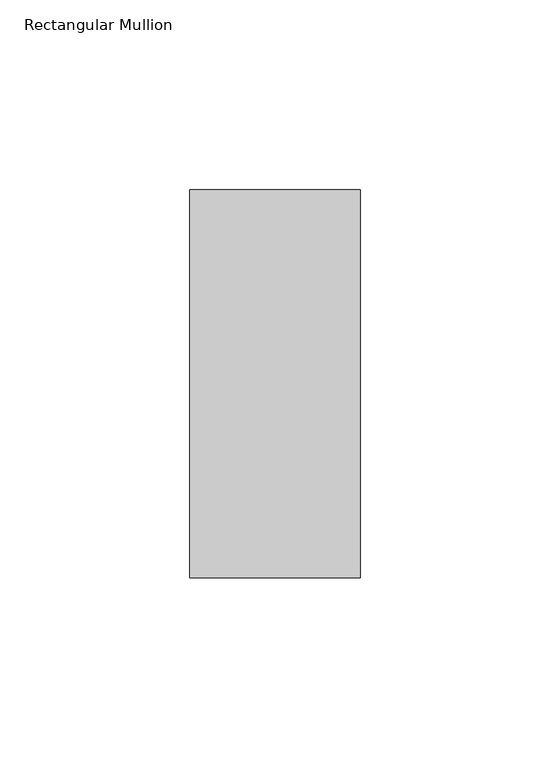
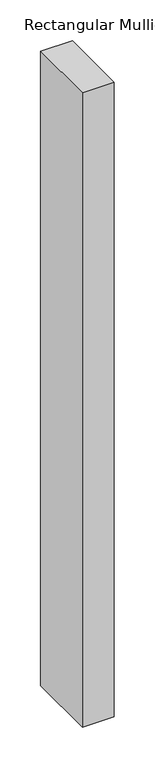
"""IFC4 building model written with IfcOpenShell, lengths in millimetres: member geometry, Rectangular Mullion."""

import ifcopenshell
import ifcopenshell.guid

model = None  # the IFC model being written
_history = None  # IfcOwnerHistory: only IFC2X3 demands one
_inside = {}  # id of a spatial element -> (the spatial element, [elements in it])
_under = {}  # id of a project, library or spatial element -> (it, [spatial elements below it])
_declared = {}  # id of a project -> (the project, [libraries it declares])
_typed = {}  # id of a type object -> (the type object, [elements of that type])
_made_of = {}  # id of a material, layer set ... -> (it, [elements and type objects made of it])


def new_model(schema):
    """Start an empty IFC model of exactly this schema.

    Asked for "IFC4X3", IfcOpenShell would pick the latest addendum, in which some entities
    have other attributes; the version numbers below select the first issue.
    IFC2X3 requires an IfcOwnerHistory on every rooted entity: one is made here for all.
    """
    global model, _history
    if schema == "IFC4X3":
        model = ifcopenshell.file(schema_version=(4, 3, 0, 0))
    else:
        model = ifcopenshell.file(schema=schema)
    _inside.clear()
    _under.clear()
    _declared.clear()
    _typed.clear()
    _made_of.clear()
    _history = None
    if model.schema == "IFC2X3":
        org = make("IfcOrganization", Name="unknown")
        user = make(
            "IfcPersonAndOrganization",
            ThePerson=make("IfcPerson", FamilyName="unknown"),
            TheOrganization=org,
        )
        app = make(
            "IfcApplication",
            ApplicationDeveloper=org,
            Version="unknown",
            ApplicationFullName="unknown",
            ApplicationIdentifier="unknown",
        )
        _history = make(
            "IfcOwnerHistory",
            OwningUser=user,
            OwningApplication=app,
            ChangeAction="ADDED",
            CreationDate=0,
        )
    return model


def make(cls, **values):
    """One entity of the class cls with the attributes given. An attribute that is None is left unset."""
    return model.create_entity(
        cls, **{name: value for name, value in values.items() if value is not None}
    )


def rooted(cls, **values):
    """An entity with a GlobalId (a new one), such as an element, a storey or a relation."""
    return make(cls, GlobalId=ifcopenshell.guid.new(), OwnerHistory=_history, **values)


def si_unit(unit_type, name, prefix=None):
    """IfcSIUnit, for example si_unit("LENGTHUNIT", "METRE", prefix="MILLI")."""
    return make("IfcSIUnit", UnitType=unit_type, Prefix=prefix, Name=name)


def assignment(units):
    """IfcUnitAssignment: the units of a project."""
    return None if units is None else make("IfcUnitAssignment", Units=units)


def point(xyz):
    """IfcCartesianPoint."""
    return None if xyz is None else make("IfcCartesianPoint", Coordinates=xyz)


def direction(xyz):
    """IfcDirection."""
    return None if xyz is None else make("IfcDirection", DirectionRatios=xyz)


def frame(location, z_axis=None, x_axis=None):
    """IfcAxis2Placement3D, a coordinate frame: its origin and axes. An axis left out is left unset."""
    return make(
        "IfcAxis2Placement3D",
        Location=point(location),
        Axis=direction(z_axis),
        RefDirection=direction(x_axis),
    )


def origin():
    """The frame at (0, 0, 0) with its axes left unset."""
    return frame((0.0, 0.0, 0.0))


def place(relative_to, where):
    """IfcLocalPlacement: puts the frame where relative to a parent placement (None: the world)."""
    return make(
        "IfcLocalPlacement", PlacementRelTo=relative_to, RelativePlacement=where
    )


def context(
    kind, dimensions, precision=None, world=None, true_north=None, identifier=None
):
    """IfcGeometricRepresentationContext, for example the 3D "Model" context."""
    return make(
        "IfcGeometricRepresentationContext",
        ContextIdentifier=identifier,
        ContextType=kind,
        CoordinateSpaceDimension=dimensions,
        Precision=precision,
        WorldCoordinateSystem=world,
        TrueNorth=true_north,
    )


def project(units=None, contexts=None):
    """IfcProject with its units and contexts."""
    return rooted(
        "IfcProject",
        Name="project",
        RepresentationContexts=contexts,
        UnitsInContext=assignment(units),
    )


def spatial(cls, under=None, at=None, **own):
    """A site, building, storey or space (cls), placed at a placement, below another one or the project."""
    s = rooted(cls, ObjectPlacement=at, **own)
    if under is not None:
        _under.setdefault(under.id(), (under, []))[1].append(s)
    return s


def polyline(points):
    """IfcPolyline through the points."""
    return make("IfcPolyline", Points=[point(p) for p in points])


def outline(outer, holes=None, kind="AREA"):
    """IfcArbitraryClosedProfileDef: a profile drawn as a closed curve; with holes, ...WithVoids."""
    if holes is None:
        return make("IfcArbitraryClosedProfileDef", ProfileType=kind, OuterCurve=outer)
    return make(
        "IfcArbitraryProfileDefWithVoids",
        ProfileType=kind,
        OuterCurve=outer,
        InnerCurves=holes,
    )


def extrude(swept, where, along, depth):
    """IfcExtrudedAreaSolid: the profile swept, set in the frame where, extruded along a direction by depth."""
    return make(
        "IfcExtrudedAreaSolid",
        SweptArea=swept,
        Position=where,
        ExtrudedDirection=direction(along),
        Depth=depth,
    )


def shape(context_of_items, identifier, shape_type, items):
    """IfcShapeRepresentation: the items that make up one representation, for example the "Body"."""
    return make(
        "IfcShapeRepresentation",
        ContextOfItems=context_of_items,
        RepresentationIdentifier=identifier,
        RepresentationType=shape_type,
        Items=items,
    )


def source(mapping_origin, context_of_items, identifier, shape_type, items):
    """IfcRepresentationMap: a shape defined once, which mapped items show again and again."""
    return make(
        "IfcRepresentationMap",
        MappingOrigin=mapping_origin,
        MappedRepresentation=shape(context_of_items, identifier, shape_type, items),
    )


def transform(
    local_origin,
    x_axis=None,
    y_axis=None,
    z_axis=None,
    scale=None,
    scale2=None,
    scale3=None,
    uniform=True,
):
    """IfcCartesianTransformationOperator3D, or its non-uniform kind. x_axis, y_axis, z_axis: its Axis1, 2, 3."""
    if uniform:
        return make(
            "IfcCartesianTransformationOperator3D",
            Axis1=direction(x_axis),
            Axis2=direction(y_axis),
            LocalOrigin=point(local_origin),
            Scale=scale,
            Axis3=direction(z_axis),
        )
    return make(
        "IfcCartesianTransformationOperator3DnonUniform",
        Axis1=direction(x_axis),
        Axis2=direction(y_axis),
        LocalOrigin=point(local_origin),
        Scale=scale,
        Axis3=direction(z_axis),
        Scale2=scale2,
        Scale3=scale3,
    )


def mapped(mapping_source, mapping_target):
    """IfcMappedItem: shows the shape of a source again, moved by a transform."""
    return make(
        "IfcMappedItem", MappingSource=mapping_source, MappingTarget=mapping_target
    )


def made_of(thing, what):
    """Note that an element or type object is made of a material, layer set ...; save() writes the relation."""
    if what is not None:
        _made_of.setdefault(what.id(), (what, []))[1].append(thing)
    return thing


def element(
    cls,
    number,
    at=None,
    inside=None,
    cuts=None,
    type_object=None,
    material=None,
    context=None,
    identifier="Body",
    shape_type=None,
    held_by="IfcProductDefinitionShape",
    body=None,
    shapes=None,
    **own,
):
    """One element of the class cls, such as IfcWall. Its Tag is "e" and its number.

    at: its placement. inside: the storey or other place that contains it. cuts: it is an
    opening in that element (IfcRelVoidsElement). A single representation is given by context,
    identifier, shape_type and body (its items); several are given by shapes. held_by: the class
    of the entity that holds the representations. save() writes the other relations.
    """
    e = rooted(cls, Tag="e%d" % number, ObjectPlacement=at, **own)
    if body is not None:
        shapes = [shape(context, identifier, shape_type, body)]
    if shapes is not None:
        e.Representation = make(held_by, Representations=shapes)
    if inside is not None:
        _inside.setdefault(inside.id(), (inside, []))[1].append(e)
    if cuts is not None:
        rooted(
            "IfcRelVoidsElement", RelatingBuildingElement=cuts, RelatedOpeningElement=e
        )
    if type_object is not None:
        _typed.setdefault(type_object.id(), (type_object, []))[1].append(e)
    return made_of(e, material)


def aggregate(whole, parts):
    """IfcRelAggregates: a whole, such as a stair, and the parts it consists of."""
    return rooted("IfcRelAggregates", RelatingObject=whole, RelatedObjects=parts)


def save(model, path):
    """Write the relations noted so far, then the file.

    IfcRelAggregates (storeys below a building ...), IfcRelContainedInSpatialStructure (elements
    in a storey), IfcRelDefinesByType, IfcRelAssociatesMaterial and IfcRelDeclares: one each for
    every whole, place, type object, material and project.
    """
    for whole, parts in _under.values():
        aggregate(whole, parts)
    for where, things in _inside.values():
        rooted(
            "IfcRelContainedInSpatialStructure",
            RelatedElements=things,
            RelatingStructure=where,
        )
    for kind, things in _typed.values():
        rooted("IfcRelDefinesByType", RelatedObjects=things, RelatingType=kind)
    for what, things in _made_of.values():
        rooted("IfcRelAssociatesMaterial", RelatedObjects=things, RelatingMaterial=what)
    for by, libraries in _declared.values():
        rooted("IfcRelDeclares", RelatingContext=by, RelatedDefinitions=libraries)
    model.write(path)


def rectangular_mullion_6c601fbf(model_context):
    return source(origin(), model_context, "Body", "SweptSolid", [
        extrude(outline(polyline([(0.0, 66.73125), (0.0, -35.73125), (-45.0, -35.73125), (-45.0, 66.73125), (0.0, 66.73125)])), frame((0.0, 0.0, -948.896875), z_axis=(0.0, 0.0, 1.0), x_axis=(1.0, 0.0, 0.0)), (0.0, 0.0, 1.0), 948.896875),
    ])


if __name__ == "__main__":
    model = new_model("IFC4")
    model_context = context("Model", 3, world=origin())
    ifc_project = project(units=[si_unit("LENGTHUNIT", "METRE", prefix="MILLI")], contexts=[model_context])
    site = spatial("IfcSite", under=ifc_project)
    building = spatial("IfcBuilding", under=site)
    placement = place(None, origin())
    rectangular_mullion_shape = rectangular_mullion_6c601fbf(model_context)
    element("IfcMember", 1, ObjectType="Rectangular Mullion", at=placement, inside=building, context=model_context, shape_type="MappedRepresentation", body=[
        mapped(rectangular_mullion_shape, transform((0.0, 0.0, 0.0), x_axis=(1.0, 0.0, 0.0), y_axis=(0.0, 1.0, 0.0), z_axis=(0.0, 0.0, 1.0))),
    ])
    save(model, "model.ifc")
